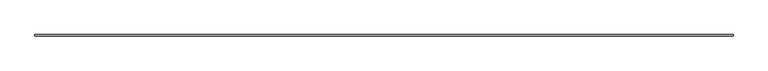
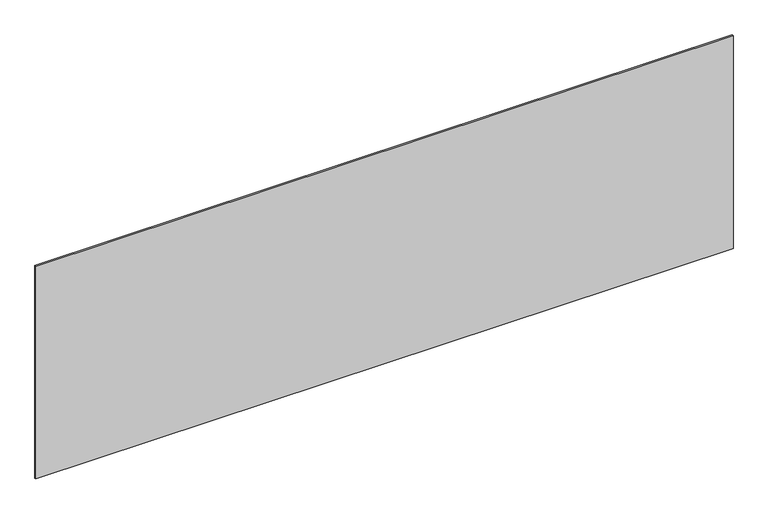
"""IFC4 building model written with IfcOpenShell, lengths in millimetres: plate geometry."""

from ifc_helpers import new_model, si_unit, origin, origin_with_axes, place, context, project, spatial, polyline, outline, extrude, source, transform, mapped, element, save


def plate_7901c3a2(model_context):
    return source(origin(), model_context, "Body", "SweptSolid", [
        extrude(outline(polyline([(2264.1666667, -5.0), (-2264.1666667, -5.0), (-2264.1666667, 5.0), (2264.1666667, 5.0), (2264.1666667, -5.0)])), origin_with_axes(), (0.0, 0.0, 1.0), 1460.5679589),
    ])


if __name__ == "__main__":
    model = new_model("IFC4")
    model_context = context("Model", 3, world=origin())
    ifc_project = project(units=[si_unit("LENGTHUNIT", "METRE", prefix="MILLI")], contexts=[model_context])
    site = spatial("IfcSite", under=ifc_project)
    building = spatial("IfcBuilding", under=site)
    placement = place(None, origin())
    plate_shape = plate_7901c3a2(model_context)
    element("IfcPlate", 1, at=placement, inside=building, context=model_context, shape_type="MappedRepresentation", body=[
        mapped(plate_shape, transform((0.0, 0.0, 0.0), x_axis=(1.0, 0.0, 0.0), y_axis=(0.0, 1.0, 0.0), z_axis=(0.0, 0.0, 1.0))),
    ])
    save(model, "model.ifc")
